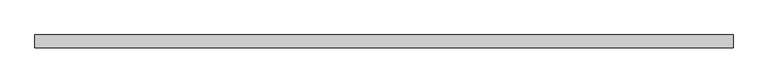
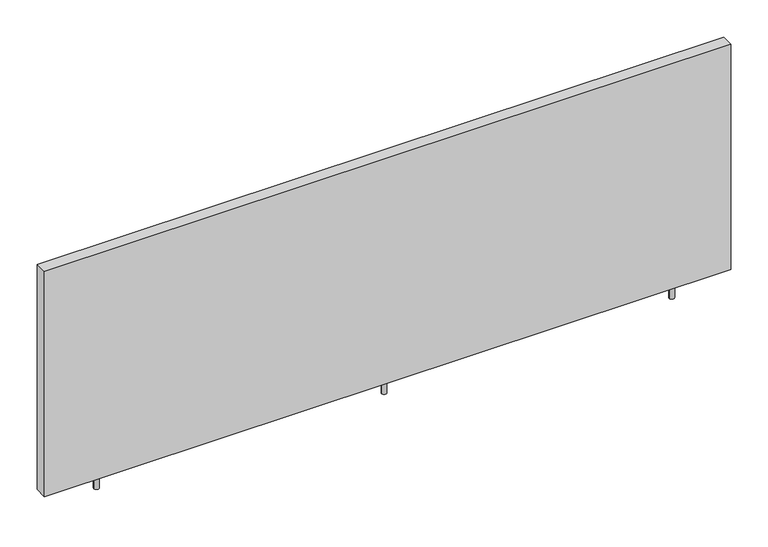
"""IFC4 building model written with IfcOpenShell, lengths in millimetres: furniture geometry."""

from ifc_helpers import new_model, si_unit, point, frame, frame_2d, origin, place, context, project, spatial, polyline, circle_curve, trimmed, segment, composite_curve, outline, extrude, source, transform, mapped, element, save


def furniture_8603551e(model_context):
    return source(origin(), model_context, "Body", "SweptSolid", [
        extrude(outline(polyline([(1.524, -48.3869993), (1.524, -29.0829995), (1065.2755291, -29.0829995), (1065.2755291, -48.3869993), (1.524, -48.3869993)])), frame((0.0, 0.0, 671.3486292), z_axis=(0.0, 0.0, 1.0), x_axis=(1.0, 0.0, 0.0)), (0.0, 0.0, 1.0), 369.3159021),
        extrude(outline(composite_curve([segment(trimmed(circle_curve(frame_2d((533.4, -38.7342719)), 3.9900981), [point((537.3900981, -38.7342719))], [point((529.4099019, -38.7342719))], False, "CARTESIAN"), True, "CONTINUOUS"), segment(trimmed(circle_curve(frame_2d((533.4, -38.7342719)), 3.9900981), [point((529.4099019, -38.7342719))], [point((537.3900981, -38.7342719))], False, "CARTESIAN"), True, "CONTINUOUS")], self_intersect=False)), frame((0.0, 0.0, 649.8942701), z_axis=(0.0, 0.0, 1.0), x_axis=(1.0, 0.0, 0.0)), (0.0, 0.0, 1.0), 21.4543591),
        extrude(outline(composite_curve([segment(trimmed(circle_curve(frame_2d((533.4, -38.7342719)), 3.9900981), [point((537.3900981, -38.7342719))], [point((529.4099019, -38.7342719))], False, "CARTESIAN"), True, "CONTINUOUS"), segment(trimmed(circle_curve(frame_2d((533.4, -38.7342719)), 3.9900981), [point((529.4099019, -38.7342719))], [point((537.3900981, -38.7342719))], False, "CARTESIAN"), True, "CONTINUOUS")], self_intersect=False)), frame((0.0, 0.0, 649.8942701), z_axis=(0.0, 0.0, 1.0), x_axis=(1.0, 0.0, 0.0)), (0.0, 0.0, 1.0), 21.4543591),
        extrude(outline(composite_curve([segment(trimmed(circle_curve(frame_2d((87.63, -38.7342719)), 3.9900981), [point((91.6200981, -38.7342719))], [point((83.6399019, -38.7342719))], False, "CARTESIAN"), True, "CONTINUOUS"), segment(trimmed(circle_curve(frame_2d((87.63, -38.7342719)), 3.9900981), [point((83.6399019, -38.7342719))], [point((91.6200981, -38.7342719))], False, "CARTESIAN"), True, "CONTINUOUS")], self_intersect=False)), frame((0.0, 0.0, 649.8942701), z_axis=(0.0, 0.0, 1.0), x_axis=(1.0, 0.0, 0.0)), (0.0, 0.0, 1.0), 21.4543591),
        extrude(outline(composite_curve([segment(trimmed(circle_curve(frame_2d((979.17, -38.7342719)), 3.9900981), [point((983.1600981, -38.7342719))], [point((975.1799019, -38.7342719))], False, "CARTESIAN"), True, "CONTINUOUS"), segment(trimmed(circle_curve(frame_2d((979.17, -38.7342719)), 3.9900981), [point((975.1799019, -38.7342719))], [point((983.1600981, -38.7342719))], False, "CARTESIAN"), True, "CONTINUOUS")], self_intersect=False)), frame((0.0, 0.0, 649.8942701), z_axis=(0.0, 0.0, 1.0), x_axis=(1.0, 0.0, 0.0)), (0.0, 0.0, 1.0), 21.4543591),
    ])


if __name__ == "__main__":
    model = new_model("IFC4")
    model_context = context("Model", 3, world=origin())
    ifc_project = project(units=[si_unit("LENGTHUNIT", "METRE", prefix="MILLI")], contexts=[model_context])
    site = spatial("IfcSite", under=ifc_project)
    building = spatial("IfcBuilding", under=site)
    placement = place(None, origin())
    furniture_shape = furniture_8603551e(model_context)
    element("IfcFurniture", 1, at=placement, inside=building, context=model_context, shape_type="MappedRepresentation", body=[
        mapped(furniture_shape, transform((0.0, 0.0, 0.0), x_axis=(1.0, 0.0, 0.0), y_axis=(0.0, 1.0, 0.0), z_axis=(0.0, 0.0, 1.0))),
    ])
    save(model, "model.ifc")
